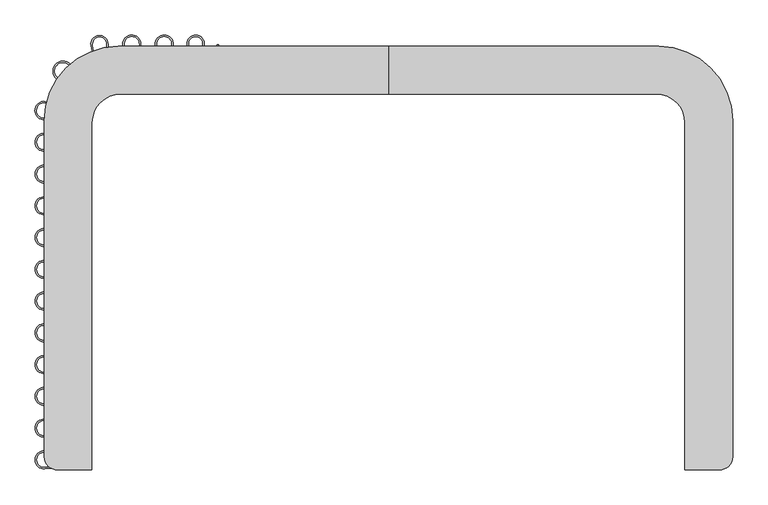
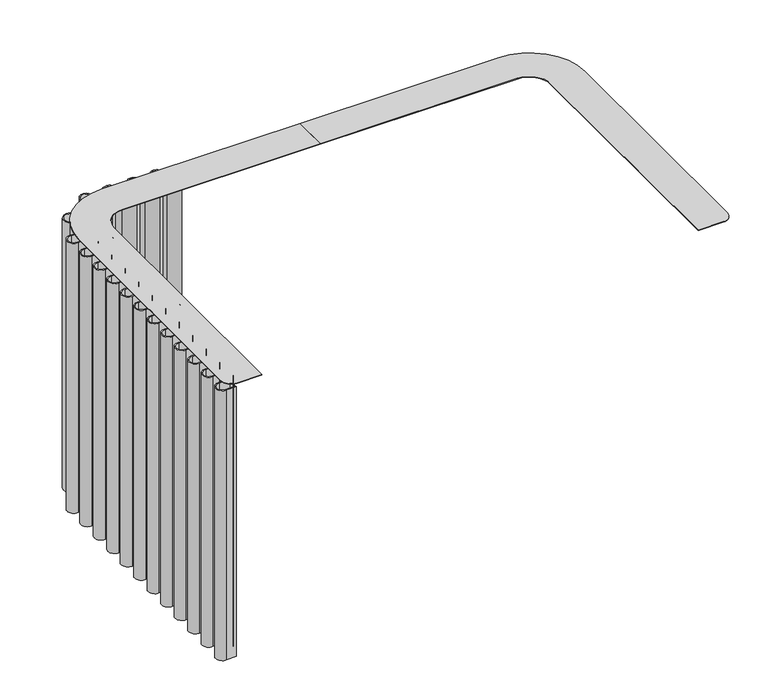
"""IFC4 building model written with IfcOpenShell, lengths in millimetres: furniture geometry."""

from ifc_helpers import new_model, si_unit, point, frame, frame_2d, origin, place, context, project, spatial, polyline, circle_curve, trimmed, segment, composite_curve, outline, extrude, source, transform, mapped, element, save


def furniture_bca20fec(model_context):
    return source(origin(), model_context, "Body", "SweptSolid", [
        extrude(outline(composite_curve([segment(polyline([(-1247.5068659, -813.2319723), (-1298.4620598, -816.79578)]), True, "CONTINUOUS"), segment(trimmed(circle_curve(frame_2d((-1300.8273216, -782.9773523)), 33.90104), [point((-1298.4620598, -816.79578))], [point((-1298.4621576, -749.1589178))], False, "CARTESIAN"), True, "CONTINUOUS"), segment(polyline([(-1298.4621576, -749.1589178), (-1247.1208004, -752.7495846)]), True, "CONTINUOUS"), segment(trimmed(circle_curve(frame_2d((-1245.038613, -722.9773069)), 29.845), [point((-1247.1208004, -752.7495846))], [point((-1247.1208004, -693.2050292))], True, "CARTESIAN"), True, "CONTINUOUS"), segment(polyline([(-1247.1208004, -693.2050292), (-1298.6474648, -696.8086559)]), True, "CONTINUOUS"), segment(trimmed(circle_curve(frame_2d((-1301.0135352, -662.9772612)), 33.9140318), [point((-1298.6474648, -696.8086559))], [point((-1298.647367, -629.1458735))], False, "CARTESIAN"), True, "CONTINUOUS"), segment(polyline([(-1298.647367, -629.1458735), (-1247.1219336, -632.7495637)]), True, "CONTINUOUS"), segment(trimmed(circle_curve(frame_2d((-1245.03966, -602.977292)), 29.845), [point((-1247.1219336, -632.7495637))], [point((-1247.1218475, -573.2050143))], True, "CARTESIAN"), True, "CONTINUOUS"), segment(polyline([(-1247.1218475, -573.2050143), (-1298.6474648, -576.8085677)]), True, "CONTINUOUS"), segment(trimmed(circle_curve(frame_2d((-1301.0135352, -542.9771731)), 33.9140318), [point((-1298.6474648, -576.8085677))], [point((-1298.647367, -509.1457853))], False, "CARTESIAN"), True, "CONTINUOUS"), segment(polyline([(-1298.647367, -509.1457853), (-1247.1206543, -512.7495651)]), True, "CONTINUOUS"), segment(trimmed(circle_curve(frame_2d((-1245.0383808, -482.9772934)), 29.845), [point((-1247.1206543, -512.7495651))], [point((-1247.1205682, -453.2050157))], True, "CARTESIAN"), True, "CONTINUOUS"), segment(polyline([(-1247.1205682, -453.2050157), (-1298.6474648, -456.8086586)]), True, "CONTINUOUS"), segment(trimmed(circle_curve(frame_2d((-1301.0135352, -422.9772639)), 33.9140318), [point((-1298.6474648, -456.8086586))], [point((-1298.647367, -389.1458762))], False, "CARTESIAN"), True, "CONTINUOUS"), segment(polyline([(-1298.647367, -389.1458762), (-1247.1211537, -392.749621)]), True, "CONTINUOUS"), segment(trimmed(circle_curve(frame_2d((-1245.0388802, -362.9773493)), 29.845), [point((-1247.1211537, -392.749621))], [point((-1247.1210676, -333.2050716))], True, "CARTESIAN"), True, "CONTINUOUS"), segment(polyline([(-1247.1210676, -333.2050716), (-1298.6474648, -336.8086795)]), True, "CONTINUOUS"), segment(trimmed(circle_curve(frame_2d((-1301.0135352, -302.9772849)), 33.9140318), [point((-1298.6474648, -336.8086795))], [point((-1298.647367, -269.1458971))], False, "CARTESIAN"), True, "CONTINUOUS"), segment(polyline([(-1298.647367, -269.1458971), (-1247.1216744, -272.7496055)]), True, "CONTINUOUS"), segment(trimmed(circle_curve(frame_2d((-1245.0394009, -242.9773338)), 29.845), [point((-1247.1216744, -272.7496055))], [point((-1247.1215883, -213.2050561))], True, "CARTESIAN"), True, "CONTINUOUS"), segment(polyline([(-1247.1215883, -213.2050561), (-1298.6474648, -216.8086277)]), True, "CONTINUOUS"), segment(trimmed(circle_curve(frame_2d((-1301.0135352, -182.977233)), 33.9140318), [point((-1298.6474648, -216.8086277))], [point((-1298.647367, -149.1458453))], False, "CARTESIAN"), True, "CONTINUOUS"), segment(polyline([(-1298.647367, -149.1458453), (-1247.1211536, -152.7495901)]), True, "CONTINUOUS"), segment(trimmed(circle_curve(frame_2d((-1245.0388801, -122.9773184)), 29.845), [point((-1247.1211536, -152.7495901))], [point((-1247.1210676, -93.2050407))], True, "CARTESIAN"), True, "CONTINUOUS"), segment(polyline([(-1247.1210676, -93.2050407), (-1298.6474648, -96.8086486)]), True, "CONTINUOUS"), segment(trimmed(circle_curve(frame_2d((-1301.0135352, -62.977254)), 33.9140318), [point((-1298.6474648, -96.8086486))], [point((-1298.647367, -29.1458662))], False, "CARTESIAN"), True, "CONTINUOUS"), segment(polyline([(-1298.647367, -29.1458662), (-1247.1208945, -32.7496292)]), True, "CONTINUOUS"), segment(trimmed(circle_curve(frame_2d((-1245.038621, -2.9773575)), 29.845), [point((-1247.1208945, -32.7496292))], [point((-1247.1208085, 26.7949202))], True, "CARTESIAN"), True, "CONTINUOUS"), segment(polyline([(-1247.1208085, 26.7949202), (-1298.6474648, 23.1912942)]), True, "CONTINUOUS"), segment(trimmed(circle_curve(frame_2d((-1301.0135352, 57.0226888)), 33.9140318), [point((-1298.6474648, 23.1912942))], [point((-1298.647367, 90.8540766))], False, "CARTESIAN"), True, "CONTINUOUS"), segment(polyline([(-1298.647367, 90.8540766), (-1247.121414, 87.2503499)]), True, "CONTINUOUS"), segment(trimmed(circle_curve(frame_2d((-1245.0391405, 117.0226216)), 29.845), [point((-1247.121414, 87.2503499))], [point((-1247.1213279, 146.7948994))], True, "CARTESIAN"), True, "CONTINUOUS"), segment(polyline([(-1247.1213279, 146.7948994), (-1298.6474648, 143.1913096)]), True, "CONTINUOUS"), segment(trimmed(circle_curve(frame_2d((-1301.0135352, 177.0227042)), 33.9140318), [point((-1298.6474648, 143.1913096))], [point((-1298.647367, 210.854092))], False, "CARTESIAN"), True, "CONTINUOUS"), segment(polyline([(-1298.647367, 210.854092), (-1247.121414, 207.2503654)]), True, "CONTINUOUS"), segment(trimmed(circle_curve(frame_2d((-1245.0391405, 237.0226371)), 29.845), [point((-1247.121414, 207.2503654))], [point((-1247.1213279, 266.7949148))], True, "CARTESIAN"), True, "CONTINUOUS"), segment(polyline([(-1247.1213279, 266.7949148), (-1298.6474648, 263.191325)]), True, "CONTINUOUS"), segment(trimmed(circle_curve(frame_2d((-1301.0135352, 297.0227197)), 33.9140318), [point((-1298.6474648, 263.191325))], [point((-1298.647367, 330.8541075))], False, "CARTESIAN"), True, "CONTINUOUS"), segment(polyline([(-1298.647367, 330.8541075), (-1247.121414, 327.2503808)]), True, "CONTINUOUS"), segment(trimmed(circle_curve(frame_2d((-1245.0391405, 357.0226525)), 29.845), [point((-1247.121414, 327.2503808))], [point((-1247.1213279, 386.7949303))], True, "CARTESIAN"), True, "CONTINUOUS"), segment(polyline([(-1247.1213279, 386.7949303), (-1298.6474648, 383.1913405)]), True, "CONTINUOUS"), segment(trimmed(circle_curve(frame_2d((-1301.0135352, 417.0227351)), 33.9140318), [point((-1298.6474648, 383.1913405))], [point((-1298.647367, 450.8541229))], False, "CARTESIAN"), True, "CONTINUOUS"), segment(polyline([(-1298.647367, 450.8541229), (-1247.1371793, 447.2514989)]), True, "CONTINUOUS"), segment(trimmed(circle_curve(frame_2d((-1245.0549058, 477.0237706)), 29.845), [point((-1247.1371793, 447.2514989))], [point((-1247.584393, 506.7613852))], True, "CARTESIAN"), True, "CONTINUOUS"), segment(polyline([(-1247.584393, 506.7613852), (-1297.8997356, 502.4815525)]), True, "CONTINUOUS"), segment(trimmed(circle_curve(frame_2d((-1300.8379568, 537.0243993)), 34.6675844), [point((-1297.8997356, 502.4815525))], [point((-1296.9987564, 571.4787452))], False, "CARTESIAN"), True, "CONTINUOUS"), segment(polyline([(-1296.9987564, 571.4787452), (-1231.3488956, 564.1634715)]), True, "CONTINUOUS"), segment(trimmed(circle_curve(frame_2d((-1227.7402321, 596.5488972)), 32.5858597), [point((-1231.3488956, 564.1634715))], [point((-1208.1985295, 622.6249419))], True, "CARTESIAN"), True, "CONTINUOUS"), segment(polyline([(-1208.1985295, 622.6249419), (-1252.1748285, 655.5813112)]), True, "CONTINUOUS"), segment(trimmed(circle_curve(frame_2d((-1229.437561, 685.9214518)), 37.9144757), [point((-1252.1748285, 655.5813112))], [point((-1202.4708412, 712.5729713))], False, "CARTESIAN"), True, "CONTINUOUS"), segment(polyline([(-1202.4708412, 712.5729713), (-1165.6750725, 675.3420291)]), True, "CONTINUOUS"), segment(trimmed(circle_curve(frame_2d((-1141.5483067, 699.1867894)), 33.9215775), [point((-1165.6750725, 675.3420291))], [point((-1108.262013, 705.7210125))], True, "CARTESIAN"), True, "CONTINUOUS"), segment(polyline([(-1108.262013, 705.7210125), (-1123.2686067, 782.1668086)]), True, "CONTINUOUS"), segment(trimmed(circle_curve(frame_2d((-1091.5083552, 788.4014639)), 32.3664101), [point((-1123.2686067, 782.1668086))], [point((-1059.14373, 788.0615528))], False, "CARTESIAN"), True, "CONTINUOUS"), segment(polyline([(-1059.14373, 788.0615528), (-1059.7246372, 732.750494)]), True, "CONTINUOUS"), segment(trimmed(circle_curve(frame_2d((-1029.9071852, 732.4373347)), 29.8190964), [point((-1059.7246372, 732.750494))], [point((-1000.160751, 734.5177579))], True, "CARTESIAN"), True, "CONTINUOUS"), segment(polyline([(-1000.160751, 734.5177579), (-1003.7724043, 786.1581193)]), True, "CONTINUOUS"), segment(trimmed(circle_curve(frame_2d((-969.5267986, 788.5532081)), 34.3292581), [point((-1003.7724043, 786.1581193))], [point((-935.2083179, 787.6930663))], False, "CARTESIAN"), True, "CONTINUOUS"), segment(polyline([(-935.2083179, 787.6930663), (-936.5746963, 733.1764403)]), True, "CONTINUOUS"), segment(trimmed(circle_curve(frame_2d((-906.7483303, 732.4288867)), 29.8357327), [point((-936.5746963, 733.1764403))], [point((-876.9853007, 734.5104767))], True, "CARTESIAN"), True, "CONTINUOUS"), segment(polyline([(-876.9853007, 734.5104767), (-880.603682, 786.2468846)]), True, "CONTINUOUS"), segment(trimmed(circle_curve(frame_2d((-846.7787279, 788.6125607)), 33.9075794), [point((-880.603682, 786.2468846))], [point((-812.9537734, 786.2468916))], False, "CARTESIAN"), True, "CONTINUOUS"), segment(polyline([(-812.9537734, 786.2468916), (-816.5510078, 734.8126955)]), True, "CONTINUOUS"), segment(trimmed(circle_curve(frame_2d((-786.7787331, 732.730465)), 29.845), [point((-816.5510078, 734.8126955))], [point((-757.0064588, 734.8127016))], True, "CARTESIAN"), True, "CONTINUOUS"), segment(polyline([(-757.0064588, 734.8127016), (-760.7055996, 787.7038265)]), True, "CONTINUOUS"), segment(trimmed(circle_curve(frame_2d((-728.3196835, 789.9688581)), 32.4650263), [point((-760.7055996, 787.7038265))], [point((-696.1397764, 785.6756642))], False, "CARTESIAN"), True, "CONTINUOUS"), segment(polyline([(-696.1397764, 785.6756642), (-702.6672458, 736.7486039)]), True, "CONTINUOUS"), segment(trimmed(circle_curve(frame_2d((-673.108993, 732.8051708)), 29.8201437), [point((-702.6672458, 736.7486039))], [point((-643.361517, 734.8857102))], True, "CARTESIAN"), True, "CONTINUOUS"), segment(polyline([(-643.361517, 734.8857102), (-646.8818813, 785.2197526), (-641.8311722, 785.7095596), (-638.2971316, 734.5521387)]), True, "CONTINUOUS"), segment(trimmed(circle_curve(frame_2d((-673.130056, 732.1458218)), 34.9159416), [point((-638.2971316, 734.5521387))], [point((-707.7432275, 736.7339951))], False, "CARTESIAN"), True, "CONTINUOUS"), segment(polyline([(-707.7432275, 736.7339951), (-701.2513769, 785.7085046)]), True, "CONTINUOUS"), segment(trimmed(circle_curve(frame_2d((-728.3399812, 789.2992536)), 27.325555), [point((-701.2513769, 785.7085046))], [point((-755.5989539, 787.3928521))], True, "CARTESIAN"), True, "CONTINUOUS"), segment(polyline([(-755.5989539, 787.3928521), (-751.9388362, 735.0581027)]), True, "CONTINUOUS"), segment(trimmed(circle_curve(frame_2d((-786.7787368, 732.6215164)), 34.925), [point((-751.9388362, 735.0581027))], [point((-821.6186375, 735.0581007))], False, "CARTESIAN"), True, "CONTINUOUS"), segment(polyline([(-821.6186375, 735.0581007), (-818.0292396, 786.3816951)]), True, "CONTINUOUS"), segment(trimmed(circle_curve(frame_2d((-846.7787276, 788.3923366)), 28.8197109), [point((-818.0292396, 786.3816951))], [point((-875.5282169, 786.3817142))], True, "CARTESIAN"), True, "CONTINUOUS"), segment(polyline([(-875.5282169, 786.3817142), (-871.8587606, 733.9128894)]), True, "CONTINUOUS"), segment(trimmed(circle_curve(frame_2d((-906.6986629, 731.4763282)), 34.925), [point((-871.8587606, 733.9128894))], [point((-941.613431, 732.3216642))], False, "CARTESIAN"), True, "CONTINUOUS"), segment(polyline([(-941.613431, 732.3216642), (-940.2840922, 787.2271201)]), True, "CONTINUOUS"), segment(trimmed(circle_curve(frame_2d((-969.507941, 787.9346708)), 29.232413), [point((-940.2840922, 787.2271201))], [point((-998.6691254, 785.8952366))], True, "CARTESIAN"), True, "CONTINUOUS"), segment(polyline([(-998.6691254, 785.8952366), (-995.0738175, 734.4871361)]), True, "CONTINUOUS"), segment(trimmed(circle_curve(frame_2d((-1029.8870344, 732.052418)), 34.898251), [point((-995.0738175, 734.4871361))], [point((-1064.7833884, 732.4162897))], False, "CARTESIAN"), True, "CONTINUOUS"), segment(polyline([(-1064.7833884, 732.4162897), (-1064.2060755, 787.7822707)]), True, "CONTINUOUS"), segment(trimmed(circle_curve(frame_2d((-1091.4699008, 788.0665565)), 27.2653075), [point((-1064.2060755, 787.7822707))], [point((-1118.2245832, 782.814513))], True, "CARTESIAN"), True, "CONTINUOUS"), segment(polyline([(-1118.2245832, 782.814513), (-1103.2588016, 706.5766192)]), True, "CONTINUOUS"), segment(trimmed(circle_curve(frame_2d((-1141.4876488, 699.0721545)), 38.9584619), [point((-1103.2588016, 706.5766192))], [point((-1169.1969051, 671.6867776))], False, "CARTESIAN"), True, "CONTINUOUS"), segment(polyline([(-1169.1969051, 671.6867776), (-1205.8402895, 708.7635333)]), True, "CONTINUOUS"), segment(trimmed(circle_curve(frame_2d((-1229.1798952, 685.6967323)), 32.8148518), [point((-1205.8402895, 708.7635333))], [point((-1248.8589248, 659.4374427))], True, "CARTESIAN"), True, "CONTINUOUS"), segment(polyline([(-1248.8589248, 659.4374427), (-1205.0847833, 626.632571)]), True, "CONTINUOUS"), segment(trimmed(circle_curve(frame_2d((-1227.65511, 596.5151944)), 37.6361), [point((-1205.0847833, 626.632571))], [point((-1231.8230433, 559.1105911))], False, "CARTESIAN"), True, "CONTINUOUS"), segment(polyline([(-1231.8230433, 559.1105911), (-1297.2828271, 566.4046668)]), True, "CONTINUOUS"), segment(trimmed(circle_curve(frame_2d((-1300.5594358, 536.9991459)), 29.5875113), [point((-1297.2828271, 566.4046668))], [point((-1298.0267531, 507.5202323))], True, "CARTESIAN"), True, "CONTINUOUS"), segment(polyline([(-1298.0267531, 507.5202323), (-1247.9561087, 511.8220549)]), True, "CONTINUOUS"), segment(trimmed(circle_curve(frame_2d((-1244.9665384, 477.0252434)), 34.925), [point((-1247.9561087, 511.8220549))], [point((-1247.4030977, 442.1853409))], False, "CARTESIAN"), True, "CONTINUOUS"), segment(polyline([(-1247.4030977, 442.1853409), (-1298.8227085, 445.7814167)]), True, "CONTINUOUS"), segment(trimmed(circle_curve(frame_2d((-1300.8339774, 417.0226608)), 28.829), [point((-1298.8227085, 445.7814167))], [point((-1298.8227085, 388.263905))], True, "CARTESIAN"), True, "CONTINUOUS"), segment(polyline([(-1298.8227085, 388.263905), (-1247.3662805, 391.8625556)]), True, "CONTINUOUS"), segment(trimmed(circle_curve(frame_2d((-1244.9297212, 357.0226531)), 34.925), [point((-1247.3662805, 391.8625556))], [point((-1247.3662804, 322.1827506))], False, "CARTESIAN"), True, "CONTINUOUS"), segment(polyline([(-1247.3662804, 322.1827506), (-1298.8227085, 325.7814012)]), True, "CONTINUOUS"), segment(trimmed(circle_curve(frame_2d((-1300.8339774, 297.0226454)), 28.829), [point((-1298.8227085, 325.7814012))], [point((-1298.8227085, 268.2638895))], True, "CARTESIAN"), True, "CONTINUOUS"), segment(polyline([(-1298.8227085, 268.2638895), (-1247.3662805, 271.8625401)]), True, "CONTINUOUS"), segment(trimmed(circle_curve(frame_2d((-1244.9297212, 237.0226377)), 34.925), [point((-1247.3662805, 271.8625401))], [point((-1247.3662805, 202.1827352))], False, "CARTESIAN"), True, "CONTINUOUS"), segment(polyline([(-1247.3662805, 202.1827352), (-1298.8227085, 205.7813858)]), True, "CONTINUOUS"), segment(trimmed(circle_curve(frame_2d((-1300.8339774, 177.0226299)), 28.829), [point((-1298.8227085, 205.7813858))], [point((-1298.8227085, 148.2638741))], True, "CARTESIAN"), True, "CONTINUOUS"), segment(polyline([(-1298.8227085, 148.2638741), (-1247.3662805, 151.8625247)]), True, "CONTINUOUS"), segment(trimmed(circle_curve(frame_2d((-1244.9297212, 117.0226222)), 34.925), [point((-1247.3662805, 151.8625247))], [point((-1247.3662805, 82.1827197))], False, "CARTESIAN"), True, "CONTINUOUS"), segment(polyline([(-1247.3662805, 82.1827197), (-1298.8227085, 85.7813703)]), True, "CONTINUOUS"), segment(trimmed(circle_curve(frame_2d((-1300.8339774, 57.0226145)), 28.829), [point((-1298.8227085, 85.7813703))], [point((-1298.8227085, 28.2638586))], True, "CARTESIAN"), True, "CONTINUOUS"), segment(polyline([(-1298.8227085, 28.2638586), (-1247.365761, 31.8625456)]), True, "CONTINUOUS"), segment(trimmed(circle_curve(frame_2d((-1244.9292017, -2.9773569)), 34.925), [point((-1247.365761, 31.8625456))], [point((-1247.365761, -37.8172594))], False, "CARTESIAN"), True, "CONTINUOUS"), segment(polyline([(-1247.365761, -37.8172594), (-1298.8227085, -34.2185724)]), True, "CONTINUOUS"), segment(trimmed(circle_curve(frame_2d((-1300.8339774, -62.9773283)), 28.829), [point((-1298.8227085, -34.2185724))], [point((-1298.8227085, -91.7360842))], True, "CARTESIAN"), True, "CONTINUOUS"), segment(polyline([(-1298.8227085, -91.7360842), (-1247.3660201, -88.1374154)]), True, "CONTINUOUS"), segment(trimmed(circle_curve(frame_2d((-1244.9294608, -122.9773178)), 34.925), [point((-1247.3660201, -88.1374154))], [point((-1247.3660201, -157.8172203))], False, "CARTESIAN"), True, "CONTINUOUS"), segment(polyline([(-1247.3660201, -157.8172203), (-1298.8227085, -154.2185515)]), True, "CONTINUOUS"), segment(trimmed(circle_curve(frame_2d((-1300.8339774, -182.9773073)), 28.829), [point((-1298.8227085, -154.2185515))], [point((-1298.8227085, -211.7360632))], True, "CARTESIAN"), True, "CONTINUOUS"), segment(polyline([(-1298.8227085, -211.7360632), (-1247.3665408, -208.1374308)]), True, "CONTINUOUS"), segment(trimmed(circle_curve(frame_2d((-1244.9299816, -242.9773333)), 34.925), [point((-1247.3665408, -208.1374308))], [point((-1247.3665408, -277.8172357))], False, "CARTESIAN"), True, "CONTINUOUS"), segment(polyline([(-1247.3665408, -277.8172357), (-1298.8227085, -274.2186033)]), True, "CONTINUOUS"), segment(trimmed(circle_curve(frame_2d((-1300.8339774, -302.9773592)), 28.829), [point((-1298.8227085, -274.2186033))], [point((-1298.8227085, -331.7361151))], True, "CARTESIAN"), True, "CONTINUOUS"), segment(polyline([(-1298.8227085, -331.7361151), (-1247.3660201, -328.1374462)]), True, "CONTINUOUS"), segment(trimmed(circle_curve(frame_2d((-1244.9294609, -362.9773487)), 34.925), [point((-1247.3660201, -328.1374462))], [point((-1247.3660201, -397.8172512))], False, "CARTESIAN"), True, "CONTINUOUS"), segment(polyline([(-1247.3660201, -397.8172512), (-1298.8227085, -394.2185824)]), True, "CONTINUOUS"), segment(trimmed(circle_curve(frame_2d((-1300.8339774, -422.9773382)), 28.829), [point((-1298.8227085, -394.2185824))], [point((-1298.8227085, -451.7360941))], True, "CARTESIAN"), True, "CONTINUOUS"), segment(polyline([(-1298.8227085, -451.7360941), (-1247.3655207, -448.1373904)]), True, "CONTINUOUS"), segment(trimmed(circle_curve(frame_2d((-1244.9289614, -482.9772928)), 34.925), [point((-1247.3655207, -448.1373904))], [point((-1247.3655207, -517.8171953))], False, "CARTESIAN"), True, "CONTINUOUS"), segment(polyline([(-1247.3655207, -517.8171953), (-1298.8227085, -514.2184916)]), True, "CONTINUOUS"), segment(trimmed(circle_curve(frame_2d((-1300.8339774, -542.9772474)), 28.829), [point((-1298.8227085, -514.2184916))], [point((-1298.8227085, -571.7360033))], True, "CARTESIAN"), True, "CONTINUOUS"), segment(polyline([(-1298.8227085, -571.7360033), (-1247.3668, -568.137389)]), True, "CONTINUOUS"), segment(trimmed(circle_curve(frame_2d((-1244.9302408, -602.9772915)), 34.925), [point((-1247.3668, -568.137389))], [point((-1247.3668, -637.8171939))], False, "CARTESIAN"), True, "CONTINUOUS"), segment(polyline([(-1247.3668, -637.8171939), (-1298.8227085, -634.2185797)]), True, "CONTINUOUS"), segment(trimmed(circle_curve(frame_2d((-1300.8339774, -662.9773355)), 28.829), [point((-1298.8227085, -634.2185797))], [point((-1298.8227085, -691.7360914))], True, "CARTESIAN"), True, "CONTINUOUS"), segment(polyline([(-1298.8227085, -691.7360914), (-1247.3657609, -688.1374045)]), True, "CONTINUOUS"), segment(trimmed(circle_curve(frame_2d((-1244.9292017, -722.9773069)), 34.925), [point((-1247.3657609, -688.1374045))], [point((-1247.3657609, -757.8172094))], False, "CARTESIAN"), True, "CONTINUOUS"), segment(polyline([(-1247.3657609, -757.8172094), (-1298.786854, -754.22103)]), True, "CONTINUOUS"), segment(trimmed(circle_curve(frame_2d((-1300.7979475, -782.9772783)), 28.8264864), [point((-1298.786854, -754.22103))], [point((-1298.786854, -811.7335267))], True, "CARTESIAN"), True, "CONTINUOUS"), segment(polyline([(-1298.786854, -811.7335267), (-1247.9999408, -808.1816992), (-1247.5068659, -813.2319723)]), True, "CONTINUOUS")], self_intersect=False)), frame((0.0, 0.0, 14.9860005), z_axis=(0.0, 0.0, 1.0), x_axis=(1.0, 0.0, 0.0)), (0.0, 0.0, 1.0), 1465.7069995),
        extrude(outline(composite_curve([segment(polyline([(-1120.000014, -821.3728847), (-1249.2000213, -821.3728847)]), True, "CONTINUOUS"), segment(trimmed(circle_curve(frame_2d((-1249.2000213, -770.5728847)), 50.8), [point((-1249.2000213, -821.3728847))], [point((-1300.0000213, -770.5728847))], False, "CARTESIAN"), True, "CONTINUOUS"), segment(polyline([(-1300.0000213, -770.5728847), (-1300.0000213, 499.7271453)]), True, "CONTINUOUS"), segment(trimmed(circle_curve(frame_2d((-1020.6000213, 499.7271453)), 279.4), [point((-1300.0000213, 499.7271453))], [point((-1020.6000213, 779.1271453))], False, "CARTESIAN"), True, "CONTINUOUS"), segment(polyline([(-1020.6000213, 779.1271453), (-0.2500665, 779.1271453), (-0.2500665, 599.1271465), (-1012.050014, 599.1271465)]), True, "CONTINUOUS"), segment(trimmed(circle_curve(frame_2d((-1012.050014, 491.1771465)), 107.95), [point((-1012.050014, 599.1271465))], [point((-1120.000014, 491.1771465))], True, "CARTESIAN"), True, "CONTINUOUS"), segment(polyline([(-1120.000014, 491.1771465), (-1120.000014, -821.3728847)]), True, "CONTINUOUS")], self_intersect=False)), frame((0.0, 0.0, 1502.9999737), z_axis=(0.0, 0.0, 1.0), x_axis=(1.0, 0.0, 0.0)), (0.0, 0.0, 1.0), 2.9999622),
        extrude(outline(composite_curve([segment(polyline([(1120.000014, -821.3728847), (1120.000014, 491.1771465)]), True, "CONTINUOUS"), segment(trimmed(circle_curve(frame_2d((1012.050014, 491.1771465)), 107.95), [point((1120.000014, 491.1771465))], [point((1012.050014, 599.1271465))], True, "CARTESIAN"), True, "CONTINUOUS"), segment(polyline([(1012.050014, 599.1271465), (0.2500665, 599.1271465), (0.2500665, 779.1271453), (1020.6000213, 779.1271453)]), True, "CONTINUOUS"), segment(trimmed(circle_curve(frame_2d((1020.6000213, 499.7271453)), 279.4), [point((1020.6000213, 779.1271453))], [point((1300.0000213, 499.7271453))], False, "CARTESIAN"), True, "CONTINUOUS"), segment(polyline([(1300.0000213, 499.7271453), (1300.0000213, -770.5728847)]), True, "CONTINUOUS"), segment(trimmed(circle_curve(frame_2d((1249.2000213, -770.5728847)), 50.8), [point((1300.0000213, -770.5728847))], [point((1249.2000213, -821.3728847))], False, "CARTESIAN"), True, "CONTINUOUS"), segment(polyline([(1249.2000213, -821.3728847), (1120.000014, -821.3728847)]), True, "CONTINUOUS")], self_intersect=False)), frame((0.0, 0.0, 1502.9999737), z_axis=(0.0, 0.0, 1.0), x_axis=(1.0, 0.0, 0.0)), (0.0, 0.0, 1.0), 2.9999622),
        extrude(outline(composite_curve([segment(polyline([(767.0715487, 1500.0000114), (644.6375449, 1500.0000114)]), True, "CONTINUOUS"), segment(trimmed(circle_curve(frame_2d((644.6375449, 1498.9840114)), 1.016), [point((644.6375449, 1500.0000114))], [point((643.6215449, 1498.9840114))], True, "CARTESIAN"), True, "CONTINUOUS"), segment(polyline([(643.6215449, 1498.9840114), (643.6215449, 1497.9306387)]), True, "CONTINUOUS"), segment(trimmed(circle_curve(frame_2d((639.6908478, 1497.9306387)), 3.9306971), [point((643.6215449, 1497.9306387))], [point((639.6908478, 1493.9999416))], False, "CARTESIAN"), True, "CONTINUOUS"), segment(polyline([(639.6908478, 1493.9999416), (628.621552, 1493.9999416), (628.621552, 1497.0000492), (639.6055463, 1497.0000492)]), True, "CONTINUOUS"), segment(trimmed(circle_curve(frame_2d((639.6055463, 1498.0160492)), 1.016), [point((639.6055463, 1497.0000492))], [point((640.6215463, 1498.0160492))], True, "CARTESIAN"), True, "CONTINUOUS"), segment(polyline([(640.6215463, 1498.0160492), (640.6215463, 1499.0629737)]), True, "CONTINUOUS"), segment(trimmed(circle_curve(frame_2d((644.5585463, 1499.0629737)), 3.937), [point((640.6215463, 1499.0629737))], [point((644.5585463, 1502.9999737))], False, "CARTESIAN"), True, "CONTINUOUS"), segment(polyline([(644.5585463, 1502.9999737), (767.0715487, 1502.9999737), (767.0715487, 1500.0000114)]), True, "CONTINUOUS")], self_intersect=False)), frame((-206.0000713, 0.0, 0.0), z_axis=(1.0, 0.0, 0.0), x_axis=(0.0, 1.0, 0.0)), (0.0, 0.0, 1.0), 15.9998955),
        extrude(outline(composite_curve([segment(polyline([(767.0715487, 1500.0000114), (644.6375449, 1500.0000114)]), True, "CONTINUOUS"), segment(trimmed(circle_curve(frame_2d((644.6375449, 1498.9840114)), 1.016), [point((644.6375449, 1500.0000114))], [point((643.6215449, 1498.9840114))], True, "CARTESIAN"), True, "CONTINUOUS"), segment(polyline([(643.6215449, 1498.9840114), (643.6215449, 1497.9306387)]), True, "CONTINUOUS"), segment(trimmed(circle_curve(frame_2d((639.6908478, 1497.9306387)), 3.9306971), [point((643.6215449, 1497.9306387))], [point((639.6908478, 1493.9999416))], False, "CARTESIAN"), True, "CONTINUOUS"), segment(polyline([(639.6908478, 1493.9999416), (628.621552, 1493.9999416), (628.621552, 1497.0000492), (639.6055463, 1497.0000492)]), True, "CONTINUOUS"), segment(trimmed(circle_curve(frame_2d((639.6055463, 1498.0160492)), 1.016), [point((639.6055463, 1497.0000492))], [point((640.6215463, 1498.0160492))], True, "CARTESIAN"), True, "CONTINUOUS"), segment(polyline([(640.6215463, 1498.0160492), (640.6215463, 1499.0629737)]), True, "CONTINUOUS"), segment(trimmed(circle_curve(frame_2d((644.5585463, 1499.0629737)), 3.937), [point((640.6215463, 1499.0629737))], [point((644.5585463, 1502.9999737))], False, "CARTESIAN"), True, "CONTINUOUS"), segment(polyline([(644.5585463, 1502.9999737), (767.0715487, 1502.9999737), (767.0715487, 1500.0000114)]), True, "CONTINUOUS")], self_intersect=False)), frame((-964.0000248, 0.0, 0.0), z_axis=(1.0, 0.0, 0.0), x_axis=(0.0, 1.0, 0.0)), (0.0, 0.0, 1.0), 15.9998955),
        extrude(outline(composite_curve([segment(polyline([(767.0715487, 1500.0000114), (644.6375449, 1500.0000114)]), True, "CONTINUOUS"), segment(trimmed(circle_curve(frame_2d((644.6375449, 1498.9840114)), 1.016), [point((644.6375449, 1500.0000114))], [point((643.6215449, 1498.9840114))], True, "CARTESIAN"), True, "CONTINUOUS"), segment(polyline([(643.6215449, 1498.9840114), (643.6215449, 1497.9306387)]), True, "CONTINUOUS"), segment(trimmed(circle_curve(frame_2d((639.6908478, 1497.9306387)), 3.9306971), [point((643.6215449, 1497.9306387))], [point((639.6908478, 1493.9999416))], False, "CARTESIAN"), True, "CONTINUOUS"), segment(polyline([(639.6908478, 1493.9999416), (628.621552, 1493.9999416), (628.621552, 1497.0000492), (639.6055463, 1497.0000492)]), True, "CONTINUOUS"), segment(trimmed(circle_curve(frame_2d((639.6055463, 1498.0160492)), 1.016), [point((639.6055463, 1497.0000492))], [point((640.6215463, 1498.0160492))], True, "CARTESIAN"), True, "CONTINUOUS"), segment(polyline([(640.6215463, 1498.0160492), (640.6215463, 1499.0629737)]), True, "CONTINUOUS"), segment(trimmed(circle_curve(frame_2d((644.5585463, 1499.0629737)), 3.937), [point((640.6215463, 1499.0629737))], [point((644.5585463, 1502.9999737))], False, "CARTESIAN"), True, "CONTINUOUS"), segment(polyline([(644.5585463, 1502.9999737), (767.0715487, 1502.9999737), (767.0715487, 1500.0000114)]), True, "CONTINUOUS")], self_intersect=False)), frame((190.0001759, 0.0, 0.0), z_axis=(1.0, 0.0, 0.0), x_axis=(0.0, 1.0, 0.0)), (0.0, 0.0, 1.0), 15.9998955),
        extrude(outline(composite_curve([segment(polyline([(767.0715487, 1500.0000114), (644.6375449, 1500.0000114)]), True, "CONTINUOUS"), segment(trimmed(circle_curve(frame_2d((644.6375449, 1498.9840114)), 1.016), [point((644.6375449, 1500.0000114))], [point((643.6215449, 1498.9840114))], True, "CARTESIAN"), True, "CONTINUOUS"), segment(polyline([(643.6215449, 1498.9840114), (643.6215449, 1497.9306387)]), True, "CONTINUOUS"), segment(trimmed(circle_curve(frame_2d((639.6908478, 1497.9306387)), 3.9306971), [point((643.6215449, 1497.9306387))], [point((639.6908478, 1493.9999416))], False, "CARTESIAN"), True, "CONTINUOUS"), segment(polyline([(639.6908478, 1493.9999416), (628.621552, 1493.9999416), (628.621552, 1497.0000492), (639.6055463, 1497.0000492)]), True, "CONTINUOUS"), segment(trimmed(circle_curve(frame_2d((639.6055463, 1498.0160492)), 1.016), [point((639.6055463, 1497.0000492))], [point((640.6215463, 1498.0160492))], True, "CARTESIAN"), True, "CONTINUOUS"), segment(polyline([(640.6215463, 1498.0160492), (640.6215463, 1499.0629737)]), True, "CONTINUOUS"), segment(trimmed(circle_curve(frame_2d((644.5585463, 1499.0629737)), 3.937), [point((640.6215463, 1499.0629737))], [point((644.5585463, 1502.9999737))], False, "CARTESIAN"), True, "CONTINUOUS"), segment(polyline([(644.5585463, 1502.9999737), (767.0715487, 1502.9999737), (767.0715487, 1500.0000114)]), True, "CONTINUOUS")], self_intersect=False)), frame((948.0001293, 0.0, 0.0), z_axis=(1.0, 0.0, 0.0), x_axis=(0.0, 1.0, 0.0)), (0.0, 0.0, 1.0), 15.9998955),
        extrude(outline(composite_curve([segment(polyline([(1500.0000114, 1284.8443753), (1502.9999737, 1284.8443753), (1502.9999737, 1162.3313728)]), True, "CONTINUOUS"), segment(trimmed(circle_curve(frame_2d((1499.0629737, 1162.3313728)), 3.937), [point((1502.9999737, 1162.3313728))], [point((1499.0629737, 1158.3943728))], False, "CARTESIAN"), True, "CONTINUOUS"), segment(polyline([(1499.0629737, 1158.3943728), (1498.0160492, 1158.3943728)]), True, "CONTINUOUS"), segment(trimmed(circle_curve(frame_2d((1498.0160492, 1157.3783728)), 1.016), [point((1498.0160492, 1158.3943728))], [point((1497.0000492, 1157.3783728))], True, "CARTESIAN"), True, "CONTINUOUS"), segment(polyline([(1497.0000492, 1157.3783728), (1497.0000492, 1146.3943786), (1493.9999416, 1146.3943786), (1493.9999416, 1157.4636743)]), True, "CONTINUOUS"), segment(trimmed(circle_curve(frame_2d((1497.9306387, 1157.4636743)), 3.9306971), [point((1493.9999416, 1157.4636743))], [point((1497.9306387, 1161.3943714))], False, "CARTESIAN"), True, "CONTINUOUS"), segment(polyline([(1497.9306387, 1161.3943714), (1498.9840114, 1161.3943714)]), True, "CONTINUOUS"), segment(trimmed(circle_curve(frame_2d((1498.9840114, 1162.4103714)), 1.016), [point((1498.9840114, 1161.3943714))], [point((1500.0000114, 1162.4103714))], True, "CARTESIAN"), True, "CONTINUOUS"), segment(polyline([(1500.0000114, 1162.4103714), (1500.0000114, 1284.8443753)]), True, "CONTINUOUS")], self_intersect=False)), frame((0.0, 430.2271211, 0.0), z_axis=(0.0, 1.0, 0.0), x_axis=(0.0, 0.0, 1.0)), (0.0, 0.0, 1.0), 16.0000408),
        extrude(outline(composite_curve([segment(polyline([(1500.0000114, 1284.8443753), (1502.9999737, 1284.8443753), (1502.9999737, 1162.3313728)]), True, "CONTINUOUS"), segment(trimmed(circle_curve(frame_2d((1499.0629737, 1162.3313728)), 3.937), [point((1502.9999737, 1162.3313728))], [point((1499.0629737, 1158.3943728))], False, "CARTESIAN"), True, "CONTINUOUS"), segment(polyline([(1499.0629737, 1158.3943728), (1498.0160492, 1158.3943728)]), True, "CONTINUOUS"), segment(trimmed(circle_curve(frame_2d((1498.0160492, 1157.3783728)), 1.016), [point((1498.0160492, 1158.3943728))], [point((1497.0000492, 1157.3783728))], True, "CARTESIAN"), True, "CONTINUOUS"), segment(polyline([(1497.0000492, 1157.3783728), (1497.0000492, 1146.3943786), (1493.9999416, 1146.3943786), (1493.9999416, 1157.4636743)]), True, "CONTINUOUS"), segment(trimmed(circle_curve(frame_2d((1497.9306387, 1157.4636743)), 3.9306971), [point((1493.9999416, 1157.4636743))], [point((1497.9306387, 1161.3943714))], False, "CARTESIAN"), True, "CONTINUOUS"), segment(polyline([(1497.9306387, 1161.3943714), (1498.9840114, 1161.3943714)]), True, "CONTINUOUS"), segment(trimmed(circle_curve(frame_2d((1498.9840114, 1162.4103714)), 1.016), [point((1498.9840114, 1161.3943714))], [point((1500.0000114, 1162.4103714))], True, "CARTESIAN"), True, "CONTINUOUS"), segment(polyline([(1500.0000114, 1162.4103714), (1500.0000114, 1284.8443753)]), True, "CONTINUOUS")], self_intersect=False)), frame((0.0, -166.7789892, 0.0), z_axis=(0.0, 1.0, 0.0), x_axis=(0.0, 0.0, 1.0)), (0.0, 0.0, 1.0), 16.0000408),
        extrude(outline(composite_curve([segment(polyline([(1500.0000114, 1284.8443753), (1502.9999737, 1284.8443753), (1502.9999737, 1162.3313728)]), True, "CONTINUOUS"), segment(trimmed(circle_curve(frame_2d((1499.0629737, 1162.3313728)), 3.937), [point((1502.9999737, 1162.3313728))], [point((1499.0629737, 1158.3943728))], False, "CARTESIAN"), True, "CONTINUOUS"), segment(polyline([(1499.0629737, 1158.3943728), (1498.0160492, 1158.3943728)]), True, "CONTINUOUS"), segment(trimmed(circle_curve(frame_2d((1498.0160492, 1157.3783728)), 1.016), [point((1498.0160492, 1158.3943728))], [point((1497.0000492, 1157.3783728))], True, "CARTESIAN"), True, "CONTINUOUS"), segment(polyline([(1497.0000492, 1157.3783728), (1497.0000492, 1146.3943786), (1493.9999416, 1146.3943786), (1493.9999416, 1157.4636743)]), True, "CONTINUOUS"), segment(trimmed(circle_curve(frame_2d((1497.9306387, 1157.4636743)), 3.9306971), [point((1493.9999416, 1157.4636743))], [point((1497.9306387, 1161.3943714))], False, "CARTESIAN"), True, "CONTINUOUS"), segment(polyline([(1497.9306387, 1161.3943714), (1498.9840114, 1161.3943714)]), True, "CONTINUOUS"), segment(trimmed(circle_curve(frame_2d((1498.9840114, 1162.4103714)), 1.016), [point((1498.9840114, 1161.3943714))], [point((1500.0000114, 1162.4103714))], True, "CARTESIAN"), True, "CONTINUOUS"), segment(polyline([(1500.0000114, 1162.4103714), (1500.0000114, 1284.8443753)]), True, "CONTINUOUS")], self_intersect=False)), frame((0.0, -718.2790472, 0.0), z_axis=(0.0, 1.0, 0.0), x_axis=(0.0, 0.0, 1.0)), (0.0, 0.0, 1.0), 16.0000408),
        extrude(outline(composite_curve([segment(polyline([(1500.0000114, -1284.8443753), (1500.0000114, -1162.4103714)]), True, "CONTINUOUS"), segment(trimmed(circle_curve(frame_2d((1498.9840114, -1162.4103714)), 1.016), [point((1500.0000114, -1162.4103714))], [point((1498.9840114, -1161.3943714))], True, "CARTESIAN"), True, "CONTINUOUS"), segment(polyline([(1498.9840114, -1161.3943714), (1497.9306387, -1161.3943714)]), True, "CONTINUOUS"), segment(trimmed(circle_curve(frame_2d((1497.9306387, -1157.4636743)), 3.9306971), [point((1497.9306387, -1161.3943714))], [point((1493.9999416, -1157.4636743))], False, "CARTESIAN"), True, "CONTINUOUS"), segment(polyline([(1493.9999416, -1157.4636743), (1493.9999416, -1146.3943786), (1497.0000492, -1146.3943786), (1497.0000492, -1157.3783728)]), True, "CONTINUOUS"), segment(trimmed(circle_curve(frame_2d((1498.0160492, -1157.3783728)), 1.016), [point((1497.0000492, -1157.3783728))], [point((1498.0160492, -1158.3943728))], True, "CARTESIAN"), True, "CONTINUOUS"), segment(polyline([(1498.0160492, -1158.3943728), (1499.0629737, -1158.3943728)]), True, "CONTINUOUS"), segment(trimmed(circle_curve(frame_2d((1499.0629737, -1162.3313728)), 3.937), [point((1499.0629737, -1158.3943728))], [point((1502.9999737, -1162.3313728))], False, "CARTESIAN"), True, "CONTINUOUS"), segment(polyline([(1502.9999737, -1162.3313728), (1502.9999737, -1284.8443753), (1500.0000114, -1284.8443753)]), True, "CONTINUOUS")], self_intersect=False)), frame((0.0, 430.2271211, 0.0), z_axis=(0.0, 1.0, 0.0), x_axis=(0.0, 0.0, 1.0)), (0.0, 0.0, 1.0), 16.0000408),
        extrude(outline(composite_curve([segment(polyline([(1500.0000114, -1284.8443753), (1500.0000114, -1162.4103714)]), True, "CONTINUOUS"), segment(trimmed(circle_curve(frame_2d((1498.9840114, -1162.4103714)), 1.016), [point((1500.0000114, -1162.4103714))], [point((1498.9840114, -1161.3943714))], True, "CARTESIAN"), True, "CONTINUOUS"), segment(polyline([(1498.9840114, -1161.3943714), (1497.9306387, -1161.3943714)]), True, "CONTINUOUS"), segment(trimmed(circle_curve(frame_2d((1497.9306387, -1157.4636743)), 3.9306971), [point((1497.9306387, -1161.3943714))], [point((1493.9999416, -1157.4636743))], False, "CARTESIAN"), True, "CONTINUOUS"), segment(polyline([(1493.9999416, -1157.4636743), (1493.9999416, -1146.3943786), (1497.0000492, -1146.3943786), (1497.0000492, -1157.3783728)]), True, "CONTINUOUS"), segment(trimmed(circle_curve(frame_2d((1498.0160492, -1157.3783728)), 1.016), [point((1497.0000492, -1157.3783728))], [point((1498.0160492, -1158.3943728))], True, "CARTESIAN"), True, "CONTINUOUS"), segment(polyline([(1498.0160492, -1158.3943728), (1499.0629737, -1158.3943728)]), True, "CONTINUOUS"), segment(trimmed(circle_curve(frame_2d((1499.0629737, -1162.3313728)), 3.937), [point((1499.0629737, -1158.3943728))], [point((1502.9999737, -1162.3313728))], False, "CARTESIAN"), True, "CONTINUOUS"), segment(polyline([(1502.9999737, -1162.3313728), (1502.9999737, -1284.8443753), (1500.0000114, -1284.8443753)]), True, "CONTINUOUS")], self_intersect=False)), frame((0.0, -166.7789892, 0.0), z_axis=(0.0, 1.0, 0.0), x_axis=(0.0, 0.0, 1.0)), (0.0, 0.0, 1.0), 16.0000408),
        extrude(outline(composite_curve([segment(polyline([(1500.0000114, -1284.8443753), (1500.0000114, -1162.4103714)]), True, "CONTINUOUS"), segment(trimmed(circle_curve(frame_2d((1498.9840114, -1162.4103714)), 1.016), [point((1500.0000114, -1162.4103714))], [point((1498.9840114, -1161.3943714))], True, "CARTESIAN"), True, "CONTINUOUS"), segment(polyline([(1498.9840114, -1161.3943714), (1497.9306387, -1161.3943714)]), True, "CONTINUOUS"), segment(trimmed(circle_curve(frame_2d((1497.9306387, -1157.4636743)), 3.9306971), [point((1497.9306387, -1161.3943714))], [point((1493.9999416, -1157.4636743))], False, "CARTESIAN"), True, "CONTINUOUS"), segment(polyline([(1493.9999416, -1157.4636743), (1493.9999416, -1146.3943786), (1497.0000492, -1146.3943786), (1497.0000492, -1157.3783728)]), True, "CONTINUOUS"), segment(trimmed(circle_curve(frame_2d((1498.0160492, -1157.3783728)), 1.016), [point((1497.0000492, -1157.3783728))], [point((1498.0160492, -1158.3943728))], True, "CARTESIAN"), True, "CONTINUOUS"), segment(polyline([(1498.0160492, -1158.3943728), (1499.0629737, -1158.3943728)]), True, "CONTINUOUS"), segment(trimmed(circle_curve(frame_2d((1499.0629737, -1162.3313728)), 3.937), [point((1499.0629737, -1158.3943728))], [point((1502.9999737, -1162.3313728))], False, "CARTESIAN"), True, "CONTINUOUS"), segment(polyline([(1502.9999737, -1162.3313728), (1502.9999737, -1284.8443753), (1500.0000114, -1284.8443753)]), True, "CONTINUOUS")], self_intersect=False)), frame((0.0, -718.2790472, 0.0), z_axis=(0.0, 1.0, 0.0), x_axis=(0.0, 0.0, 1.0)), (0.0, 0.0, 1.0), 16.0000408),
    ])


if __name__ == "__main__":
    model = new_model("IFC4")
    model_context = context("Model", 3, world=origin())
    ifc_project = project(units=[si_unit("LENGTHUNIT", "METRE", prefix="MILLI")], contexts=[model_context])
    site = spatial("IfcSite", under=ifc_project)
    building = spatial("IfcBuilding", under=site)
    placement = place(None, origin())
    furniture_shape = furniture_bca20fec(model_context)
    element("IfcFurniture", 1, at=placement, inside=building, context=model_context, shape_type="MappedRepresentation", body=[
        mapped(furniture_shape, transform((0.0, 0.0, 0.0), x_axis=(1.0, 0.0, 0.0), y_axis=(0.0, 1.0, 0.0), z_axis=(0.0, 0.0, 1.0))),
    ])
    save(model, "model.ifc")
